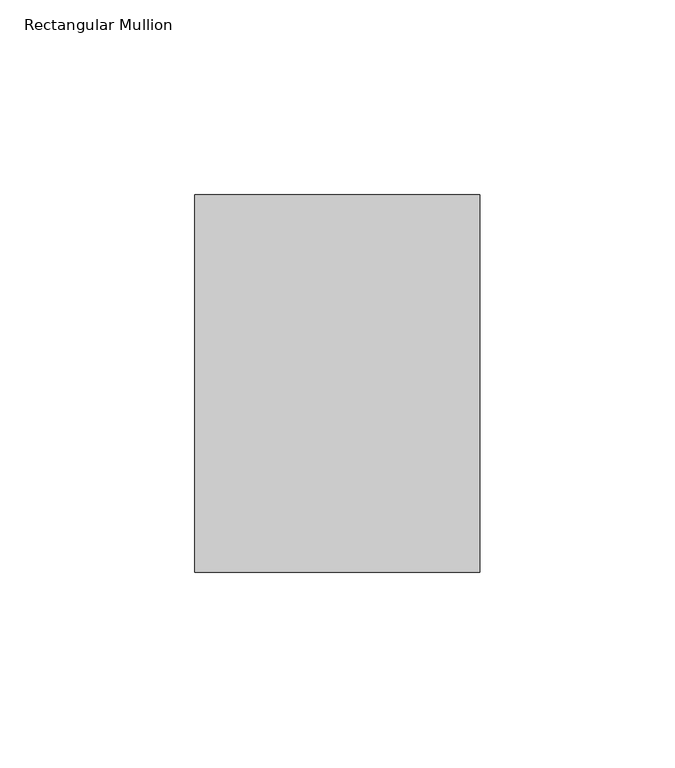
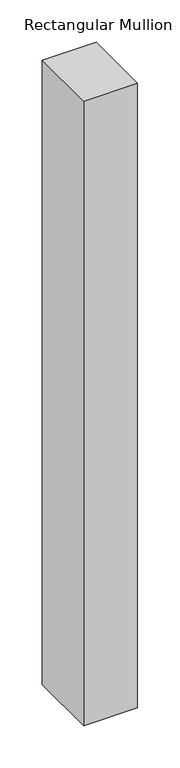
"""IFC4 building model written with IfcOpenShell, lengths in millimetres: member geometry, Rectangular Mullion."""

from ifc_helpers import new_model, si_unit, frame, origin, place, context, project, spatial, polyline, outline, extrude, source, transform, mapped, element, save


def rectangular_mullion_849d571a(model_context):
    return source(origin(), model_context, "Body", "SweptSolid", [
        extrude(outline(polyline([(0.0, 48.41875), (0.0, -48.41875), (-73.025, -48.41875), (-73.025, 48.41875), (0.0, 48.41875)])), frame((0.0, 0.0, -898.525), z_axis=(0.0, 0.0, 1.0), x_axis=(1.0, 0.0, 0.0)), (0.0, 0.0, 1.0), 898.525),
    ])


if __name__ == "__main__":
    model = new_model("IFC4")
    model_context = context("Model", 3, world=origin())
    ifc_project = project(units=[si_unit("LENGTHUNIT", "METRE", prefix="MILLI")], contexts=[model_context])
    site = spatial("IfcSite", under=ifc_project)
    building = spatial("IfcBuilding", under=site)
    placement = place(None, origin())
    rectangular_mullion_shape = rectangular_mullion_849d571a(model_context)
    element("IfcMember", 1, ObjectType="Rectangular Mullion", at=placement, inside=building, context=model_context, shape_type="MappedRepresentation", body=[
        mapped(rectangular_mullion_shape, transform((0.0, 0.0, 0.0), x_axis=(1.0, 0.0, 0.0), y_axis=(0.0, 1.0, 0.0), z_axis=(0.0, 0.0, 1.0))),
    ])
    save(model, "model.ifc")
